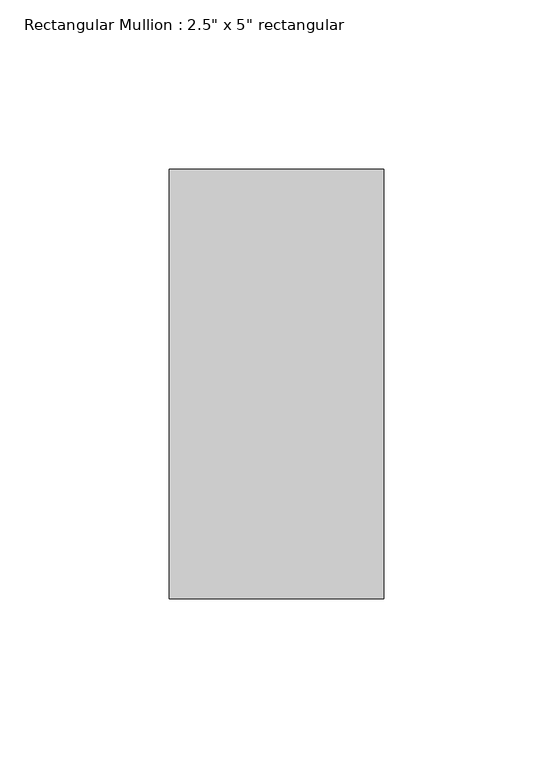
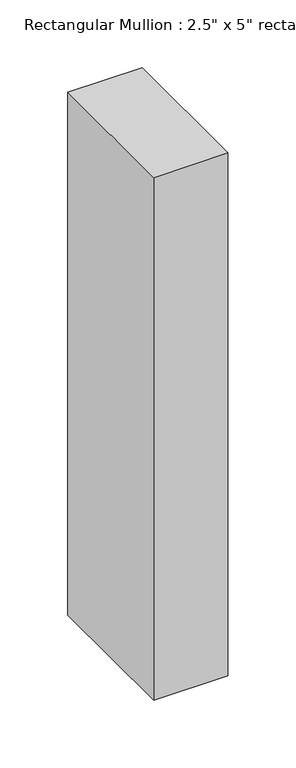
"""IFC4 building model written with IfcOpenShell, lengths in millimetres: member geometry."""

from ifc_helpers import new_model, si_unit, frame, origin, place, context, project, spatial, polyline, outline, extrude, source, transform, mapped, element, save


def member_0e8ce528(model_context):
    return source(origin(), model_context, "Body", "SweptSolid", [
        extrude(outline(polyline([(0.0, 63.5), (0.0, -63.5), (-63.5, -63.5), (-63.5, 63.5), (0.0, 63.5)])), frame((0.0, 0.0, -471.6706469), z_axis=(0.0, 0.0, 1.0), x_axis=(1.0, 0.0, 0.0)), (0.0, 0.0, 1.0), 471.6706469),
    ])


if __name__ == "__main__":
    model = new_model("IFC4")
    model_context = context("Model", 3, world=origin())
    ifc_project = project(units=[si_unit("LENGTHUNIT", "METRE", prefix="MILLI")], contexts=[model_context])
    site = spatial("IfcSite", under=ifc_project)
    building = spatial("IfcBuilding", under=site)
    placement = place(None, origin())
    member_shape = member_0e8ce528(model_context)
    element("IfcMember", 1, ObjectType="Rectangular Mullion : 2.5\" x 5\" rectangular", at=placement, inside=building, context=model_context, shape_type="MappedRepresentation", body=[
        mapped(member_shape, transform((0.0, 0.0, 0.0), x_axis=(1.0, 0.0, 0.0), y_axis=(0.0, 1.0, 0.0), z_axis=(0.0, 0.0, 1.0))),
    ])
    save(model, "model.ifc")
